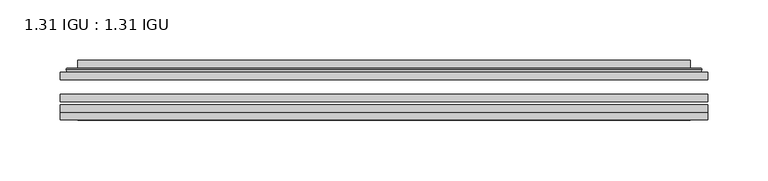
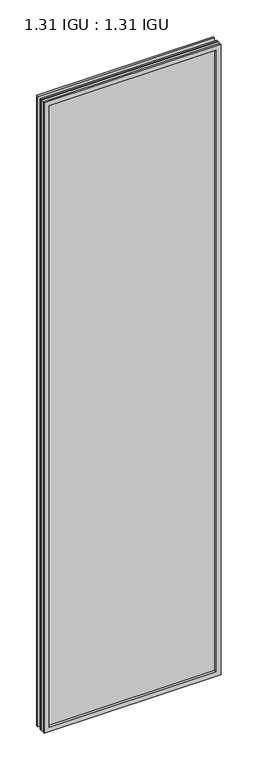
"""IFC4 building model written with IfcOpenShell, lengths in millimetres: plate geometry, 1.31 IGU : 1.31 IGU."""

from ifc_helpers import new_model, si_unit, frame, origin, place, context, project, spatial, polyline, ellipse_curve, outline, extrude, faceted_brep, source, transform, mapped, element, save
from ifc_brep_helpers import plane_surface, cylinder_surface, advanced_brep


def plate_1_31_igu_1_31_igu_622e4081(model_context):
    return source(origin(), model_context, "Body", "SolidModel", [
        extrude(outline(polyline([(268.3778685, -63.2975937), (268.3778685, -69.6475938), (-268.3636935, -69.6475938), (-268.3636935, -63.2975937), (268.3778685, -63.2975937)])), frame((0.0, 0.0, -14.2875), z_axis=(0.0, 0.0, 1.0), x_axis=(1.0, 0.0, 0.0)), (0.0, 0.0, 1.0), 2022.4787979),
        extrude(outline(polyline([(-268.3636935, -78.2835938), (-268.3636935, -71.9330887), (268.3778685, -71.9330887), (268.3778685, -78.2835938), (-268.3636935, -78.2835938)])), frame((0.0, 0.0, -14.2875), z_axis=(0.0, 0.0, 1.0), x_axis=(1.0, 0.0, 0.0)), (0.0, 0.0, 1.0), 2022.4787979),
        extrude(outline(polyline([(268.3778685, -44.9587937), (268.3778685, -51.3087938), (-268.3636935, -51.3087938), (-268.3636935, -44.9587937), (268.3778685, -44.9587937)])), frame((0.0, 0.0, -14.2875), z_axis=(0.0, 0.0, 1.0), x_axis=(1.0, 0.0, 0.0)), (0.0, 0.0, 1.0), 2022.4787979),
        faceted_brep([(-268.3763935, -84.6335937, 2008.2002), (-268.3763935, -78.2835937, 2008.2002), (-268.3763935, -78.2835937, -14.3002), (-268.3763935, -84.6335937, -14.3002), (268.3763935, -78.2835937, -14.3002), (268.3763935, -84.6335937, -14.3002), (268.3763935, -78.2835937, 2008.2002), (268.3763935, -84.6335937, 2008.2002), (-253.1784494, -78.2835937, 0.8977441), (253.1784494, -78.2835937, 0.8977441), (253.1784494, -78.2835937, 1993.0022559), (-253.1784494, -78.2835937, 1993.0022559), (-254.0708837, -84.6335937, 1993.8946902), (254.0708837, -84.6335937, 1993.8946902), (254.0708837, -84.6335937, 0.0053098), (-254.0708837, -84.6335937, 0.0053098)], [[[0, 1, 2, 3]], [[3, 2, 4, 5]], [[5, 4, 6, 7]], [[1, 6, 4, 2], [8, 9, 10, 11]], [[7, 6, 1, 0]], [[3, 5, 7, 0], [12, 13, 14, 15]], [[11, 12, 15, 8]], [[8, 15, 14, 9]], [[9, 14, 13, 10]], [[10, 13, 12, 11]]]),
        advanced_brep(
        [(-261.1224125, -44.9587937, 2000.946219), (-263.4766179, -42.9691271, 2003.3004244), (-263.4766179, -42.9691271, -9.4004244), (-261.1224125, -44.9587937, -7.046219), (-252.0480874, -41.1187568, 1991.8718939), (-247.1132556, -44.9587937, 1986.9370621), (-247.1132556, -44.9587937, 6.9629379), (-252.0480874, -41.1187568, 2.0281061), (-253.0801152, -35.7215256, 1992.9039217), (-253.0801152, -35.7215256, 0.9960783), (-254.0707719, -35.3225507, 1993.8945784), (-254.0707719, -35.3225507, 0.0054216), (-254.0707719, -41.7837937, 1993.8945784), (-254.0707719, -41.7837937, 0.0054216), (-262.4748284, -41.7837937, 2002.2986349), (-262.4748284, -41.7837937, -8.3986349), (263.4766179, -42.9691271, -9.4004244), (261.1224125, -44.9587937, -7.046219), (247.1132556, -44.9587937, 6.9629379), (252.0480874, -41.1187568, 2.0281061), (253.0801152, -35.7215256, 0.9960783), (254.0707719, -35.3225507, 0.0054216), (254.0707719, -41.7837937, 0.0054216), (262.4748284, -41.7837937, -8.3986349), (263.4766179, -42.9691271, 2003.3004244), (261.1224125, -44.9587937, 2000.946219), (247.1132556, -44.9587937, 1986.9370621), (252.0480874, -41.1187568, 1991.8718939), (253.0801152, -35.7215256, 1992.9039217), (254.0707719, -35.3225507, 1993.8945784), (254.0707719, -41.7837937, 1993.8945784), (262.4748284, -41.7837937, 2002.2986349)],
        [
            (0, 1, ellipse_curve(frame((-261.1224125, -42.5711937, 2000.946219), z_axis=(-0.7071067811865475, 0.0, -0.7071067811865475), x_axis=(-0.7071067811865474, 0.0, 0.7071067811865476)), 3.3765763, 2.3876)),
            (1, 2),
            (2, 3, ellipse_curve(frame((-261.1224125, -42.5711937, -7.046219), z_axis=(-0.7071067811865475, 0.0, 0.7071067811865475), x_axis=(0.7071067811865474, 0.0, 0.7071067811865476)), 3.3765763, 2.3876)),
            (3, 0),
            (4, 5),
            (5, 6),
            (6, 7),
            (7, 4),
            (8, 4),
            (7, 9),
            (9, 8),
            (10, 8, ellipse_curve(frame((-253.7038154, -35.840786, 1993.5276219), z_axis=(-0.7071067811865475, 0.0, -0.7071067811865475), x_axis=(-0.7071067811865474, 0.0, 0.7071067811865476)), 0.8980256, 0.635)),
            (9, 11, ellipse_curve(frame((-253.7038154, -35.840786, 0.3723781), z_axis=(-0.7071067811865475, 0.0, 0.7071067811865475), x_axis=(0.7071067811865474, 0.0, 0.7071067811865476)), 0.8980256, 0.635)),
            (11, 10),
            (12, 10),
            (11, 13),
            (13, 12),
            (1, 14, ellipse_curve(frame((-262.4748284, -42.7997937, 2002.2986349), z_axis=(-0.7071067811865475, 0.0, -0.7071067811865475), x_axis=(-0.7071067811865474, 0.0, 0.7071067811865476)), 1.436841, 1.016)),
            (14, 15),
            (15, 2, ellipse_curve(frame((-262.4748284, -42.7997937, -8.3986349), z_axis=(-0.7071067811865475, 0.0, 0.7071067811865475), x_axis=(0.7071067811865474, 0.0, 0.7071067811865476)), 1.436841, 1.016)),
            (2, 16),
            (16, 17, ellipse_curve(frame((261.1224125, -42.5711937, -7.046219), z_axis=(-0.7071067811865475, 0.0, -0.7071067811865475), x_axis=(-0.7071067811865476, 0.0, 0.7071067811865474)), 3.3765763, 2.3876)),
            (17, 3),
            (6, 18),
            (18, 19),
            (19, 7),
            (19, 20),
            (20, 9),
            (20, 21, ellipse_curve(frame((253.7038154, -35.840786, 0.3723781), z_axis=(-0.7071067811865475, 0.0, -0.7071067811865475), x_axis=(-0.7071067811865476, 0.0, 0.7071067811865474)), 0.8980256, 0.635)),
            (21, 11),
            (21, 22),
            (22, 13),
            (15, 23),
            (23, 16, ellipse_curve(frame((262.4748284, -42.7997937, -8.3986349), z_axis=(-0.7071067811865475, 0.0, -0.7071067811865475), x_axis=(-0.7071067811865476, 0.0, 0.7071067811865474)), 1.436841, 1.016)),
            (16, 24),
            (24, 25, ellipse_curve(frame((261.1224125, -42.5711937, 2000.946219), z_axis=(0.7071067811865475, 0.0, -0.7071067811865475), x_axis=(-0.7071067811865474, 0.0, -0.7071067811865476)), 3.3765763, 2.3876)),
            (25, 17),
            (18, 26),
            (26, 27),
            (27, 19),
            (27, 28),
            (28, 20),
            (28, 29, ellipse_curve(frame((253.7038154, -35.840786, 1993.5276219), z_axis=(0.7071067811865475, 0.0, -0.7071067811865475), x_axis=(-0.7071067811865474, 0.0, -0.7071067811865476)), 0.8980256, 0.635)),
            (29, 21),
            (29, 30),
            (30, 22),
            (23, 31),
            (31, 24, ellipse_curve(frame((262.4748284, -42.7997937, 2002.2986349), z_axis=(0.7071067811865475, 0.0, -0.7071067811865475), x_axis=(-0.7071067811865474, 0.0, -0.7071067811865476)), 1.436841, 1.016)),
            (24, 1),
            (0, 25),
            (5, 26),
            (4, 27),
            (8, 28),
            (10, 29),
            (12, 30),
            (14, 31),
        ],
        [
            cylinder_surface(frame((-261.1224125, -42.5711937, 2025.65), z_axis=(0.0, 0.0, 1.0), x_axis=(-1.0, 0.0, 0.0)), 2.3876),
            plane_surface(frame((-247.1132556, -44.9587937, 1986.9370621), z_axis=(0.6141233906514794, 0.7892100234124821, 0.0), x_axis=(0.0, 0.0, -1.0))),
            plane_surface(frame((-252.0480874, -41.1187568, 1991.8718939), z_axis=(0.9822050625507729, 0.1878116479338607, 0.0), x_axis=(0.0, 0.0, -1.0))),
            cylinder_surface(frame((-253.7038154, -35.840786, 2025.65), z_axis=(0.0, 0.0, 1.0), x_axis=(-1.0, 0.0, 0.0)), 0.635),
            plane_surface(frame((-254.0707719, -35.3225507, 1993.8945784), z_axis=(-1.0, 0.0, 0.0), x_axis=(0.0, 0.0, -1.0))),
            cylinder_surface(frame((-262.4748284, -42.7997937, 2025.65), z_axis=(0.0, 0.0, 1.0), x_axis=(-1.0, 0.0, 0.0)), 1.016),
            cylinder_surface(frame((-285.8261935, -42.5711937, -7.046219), z_axis=(-1.0, 0.0, 0.0), x_axis=(0.0, 0.0, -1.0)), 2.3876),
            plane_surface(frame((-247.1132556, -44.9587937, 6.9629379), z_axis=(0.0, 0.7892100234124841, 0.6141233906514768), x_axis=(1.0, 0.0, 0.0))),
            plane_surface(frame((-252.0480874, -41.1187568, 2.0281061), z_axis=(0.0, 0.1878116479338639, 0.9822050625507722), x_axis=(1.0, 0.0, 0.0))),
            cylinder_surface(frame((-285.8261935, -35.840786, 0.3723781), z_axis=(-1.0, 0.0, 0.0), x_axis=(0.0, 0.0, -1.0)), 0.635),
            plane_surface(frame((-254.0707719, -35.3225507, 0.0054216), z_axis=(0.0, 0.0, -1.0), x_axis=(1.0, 0.0, 0.0))),
            cylinder_surface(frame((-285.8261935, -42.7997937, -8.3986349), z_axis=(-1.0, 0.0, 0.0), x_axis=(0.0, 0.0, -1.0)), 1.016),
            cylinder_surface(frame((261.1224125, -42.5711937, -31.75), z_axis=(0.0, 0.0, -1.0), x_axis=(1.0, 0.0, 0.0)), 2.3876),
            plane_surface(frame((247.1132556, -44.9587937, 6.9629379), z_axis=(-0.6141233906514743, 0.7892100234124861, 0.0), x_axis=(0.0, 0.0, 1.0))),
            plane_surface(frame((252.0480874, -41.1187568, 2.0281061), z_axis=(-0.9822050625507716, 0.1878116479338671, 0.0), x_axis=(0.0, 0.0, 1.0))),
            cylinder_surface(frame((253.7038154, -35.840786, -31.75), z_axis=(0.0, 0.0, -1.0), x_axis=(1.0, 0.0, 0.0)), 0.635),
            plane_surface(frame((254.0707719, -35.3225507, 0.0054216), z_axis=(1.0, 0.0, 0.0), x_axis=(0.0, 0.0, 1.0))),
            cylinder_surface(frame((262.4748284, -42.7997937, -31.75), z_axis=(0.0, 0.0, -1.0), x_axis=(1.0, 0.0, 0.0)), 1.016),
            cylinder_surface(frame((285.8261935, -42.5711937, 2000.946219), z_axis=(1.0, 0.0, 0.0), x_axis=(0.0, 0.0, 1.0)), 2.3876),
            plane_surface(frame((261.1224125, -44.9587937, 2000.946219), z_axis=(0.0, -1.0, 0.0), x_axis=(-1.0, 0.0, 0.0))),
            plane_surface(frame((247.1132556, -44.9587937, 1986.9370621), z_axis=(0.0, 0.7892100234124841, -0.6141233906514768), x_axis=(-1.0, 0.0, 0.0))),
            plane_surface(frame((252.0480874, -41.1187568, 1991.8718939), z_axis=(0.0, 0.1878116479338639, -0.9822050625507722), x_axis=(-1.0, 0.0, 0.0))),
            cylinder_surface(frame((285.8261935, -35.840786, 1993.5276219), z_axis=(1.0, 0.0, 0.0), x_axis=(0.0, 0.0, 1.0)), 0.635),
            plane_surface(frame((254.0707719, -35.3225507, 1993.8945784), z_axis=(0.0, 0.0, 1.0), x_axis=(-1.0, 0.0, 0.0))),
            plane_surface(frame((254.0707719, -41.7837937, 1993.8945784), z_axis=(0.0, 1.0, 0.0), x_axis=(-1.0, 0.0, 0.0))),
            cylinder_surface(frame((285.8261935, -42.7997937, 2002.2986349), z_axis=(1.0, 0.0, 0.0), x_axis=(0.0, 0.0, 1.0)), 1.016),
        ],
        [
            (0, [[1, 2, 3, 4]]),
            (1, [[5, 6, 7, 8]]),
            (2, [[9, -8, 10, 11]]),
            (3, [[12, -11, 13, 14]]),
            (4, [[15, -14, 16, 17]]),
            (5, [[18, 19, 20, -2]]),
            (6, [[-3, 21, 22, 23]]),
            (7, [[-7, 24, 25, 26]]),
            (8, [[-10, -26, 27, 28]]),
            (9, [[-13, -28, 29, 30]]),
            (10, [[-16, -30, 31, 32]]),
            (11, [[-20, 33, 34, -21]]),
            (12, [[-22, 35, 36, 37]]),
            (13, [[-25, 38, 39, 40]]),
            (14, [[-27, -40, 41, 42]]),
            (15, [[-29, -42, 43, 44]]),
            (16, [[-31, -44, 45, 46]]),
            (17, [[-34, 47, 48, -35]]),
            (18, [[-36, 49, -1, 50]]),
            (19, [[-23, -37, -50, -4], [51, -38, -24, -6]]),
            (20, [[-39, -51, -5, 52]]),
            (21, [[-41, -52, -9, 53]]),
            (22, [[-43, -53, -12, 54]]),
            (23, [[-45, -54, -15, 55]]),
            (24, [[56, -47, -33, -19], [-32, -46, -55, -17]]),
            (25, [[-48, -56, -18, -49]]),
        ],
    ),
    ])


if __name__ == "__main__":
    model = new_model("IFC4")
    model_context = context("Model", 3, world=origin())
    ifc_project = project(units=[si_unit("LENGTHUNIT", "METRE", prefix="MILLI")], contexts=[model_context])
    site = spatial("IfcSite", under=ifc_project)
    building = spatial("IfcBuilding", under=site)
    placement = place(None, origin())
    plate_1_31_igu_1_31_igu_shape = plate_1_31_igu_1_31_igu_622e4081(model_context)
    element("IfcPlate", 1, ObjectType="1.31 IGU : 1.31 IGU", at=placement, inside=building, context=model_context, shape_type="MappedRepresentation", body=[
        mapped(plate_1_31_igu_1_31_igu_shape, transform((0.0, 0.0, 0.0), x_axis=(1.0, 0.0, 0.0), y_axis=(0.0, 1.0, 0.0), z_axis=(0.0, 0.0, 1.0))),
    ])
    save(model, "model.ifc")
